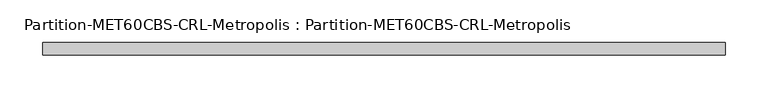
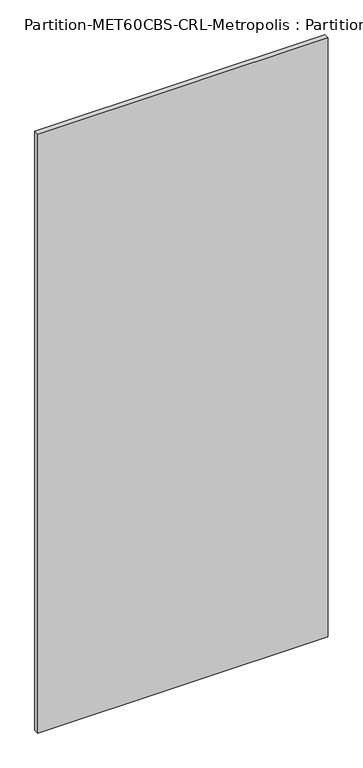
"""IFC4 building model written with IfcOpenShell, lengths in millimetres: plate geometry, Partition-MET60CBS-CRL-Metropolis : Partition-MET60CBS-CRL-Metropolis."""

import ifcopenshell
import ifcopenshell.guid

model = None  # the IFC model being written
_history = None  # IfcOwnerHistory: only IFC2X3 demands one
_inside = {}  # id of a spatial element -> (the spatial element, [elements in it])
_under = {}  # id of a project, library or spatial element -> (it, [spatial elements below it])
_declared = {}  # id of a project -> (the project, [libraries it declares])
_typed = {}  # id of a type object -> (the type object, [elements of that type])
_made_of = {}  # id of a material, layer set ... -> (it, [elements and type objects made of it])


def new_model(schema):
    """Start an empty IFC model of exactly this schema.

    Asked for "IFC4X3", IfcOpenShell would pick the latest addendum, in which some entities
    have other attributes; the version numbers below select the first issue.
    IFC2X3 requires an IfcOwnerHistory on every rooted entity: one is made here for all.
    """
    global model, _history
    if schema == "IFC4X3":
        model = ifcopenshell.file(schema_version=(4, 3, 0, 0))
    else:
        model = ifcopenshell.file(schema=schema)
    _inside.clear()
    _under.clear()
    _declared.clear()
    _typed.clear()
    _made_of.clear()
    _history = None
    if model.schema == "IFC2X3":
        org = make("IfcOrganization", Name="unknown")
        user = make(
            "IfcPersonAndOrganization",
            ThePerson=make("IfcPerson", FamilyName="unknown"),
            TheOrganization=org,
        )
        app = make(
            "IfcApplication",
            ApplicationDeveloper=org,
            Version="unknown",
            ApplicationFullName="unknown",
            ApplicationIdentifier="unknown",
        )
        _history = make(
            "IfcOwnerHistory",
            OwningUser=user,
            OwningApplication=app,
            ChangeAction="ADDED",
            CreationDate=0,
        )
    return model


def make(cls, **values):
    """One entity of the class cls with the attributes given. An attribute that is None is left unset."""
    return model.create_entity(
        cls, **{name: value for name, value in values.items() if value is not None}
    )


def rooted(cls, **values):
    """An entity with a GlobalId (a new one), such as an element, a storey or a relation."""
    return make(cls, GlobalId=ifcopenshell.guid.new(), OwnerHistory=_history, **values)


def si_unit(unit_type, name, prefix=None):
    """IfcSIUnit, for example si_unit("LENGTHUNIT", "METRE", prefix="MILLI")."""
    return make("IfcSIUnit", UnitType=unit_type, Prefix=prefix, Name=name)


def assignment(units):
    """IfcUnitAssignment: the units of a project."""
    return None if units is None else make("IfcUnitAssignment", Units=units)


def point(xyz):
    """IfcCartesianPoint."""
    return None if xyz is None else make("IfcCartesianPoint", Coordinates=xyz)


def direction(xyz):
    """IfcDirection."""
    return None if xyz is None else make("IfcDirection", DirectionRatios=xyz)


def frame(location, z_axis=None, x_axis=None):
    """IfcAxis2Placement3D, a coordinate frame: its origin and axes. An axis left out is left unset."""
    return make(
        "IfcAxis2Placement3D",
        Location=point(location),
        Axis=direction(z_axis),
        RefDirection=direction(x_axis),
    )


def origin():
    """The frame at (0, 0, 0) with its axes left unset."""
    return frame((0.0, 0.0, 0.0))


def place(relative_to, where):
    """IfcLocalPlacement: puts the frame where relative to a parent placement (None: the world)."""
    return make(
        "IfcLocalPlacement", PlacementRelTo=relative_to, RelativePlacement=where
    )


def context(
    kind, dimensions, precision=None, world=None, true_north=None, identifier=None
):
    """IfcGeometricRepresentationContext, for example the 3D "Model" context."""
    return make(
        "IfcGeometricRepresentationContext",
        ContextIdentifier=identifier,
        ContextType=kind,
        CoordinateSpaceDimension=dimensions,
        Precision=precision,
        WorldCoordinateSystem=world,
        TrueNorth=true_north,
    )


def project(units=None, contexts=None):
    """IfcProject with its units and contexts."""
    return rooted(
        "IfcProject",
        Name="project",
        RepresentationContexts=contexts,
        UnitsInContext=assignment(units),
    )


def spatial(cls, under=None, at=None, **own):
    """A site, building, storey or space (cls), placed at a placement, below another one or the project."""
    s = rooted(cls, ObjectPlacement=at, **own)
    if under is not None:
        _under.setdefault(under.id(), (under, []))[1].append(s)
    return s


def polyline(points):
    """IfcPolyline through the points."""
    return make("IfcPolyline", Points=[point(p) for p in points])


def outline(outer, holes=None, kind="AREA"):
    """IfcArbitraryClosedProfileDef: a profile drawn as a closed curve; with holes, ...WithVoids."""
    if holes is None:
        return make("IfcArbitraryClosedProfileDef", ProfileType=kind, OuterCurve=outer)
    return make(
        "IfcArbitraryProfileDefWithVoids",
        ProfileType=kind,
        OuterCurve=outer,
        InnerCurves=holes,
    )


def extrude(swept, where, along, depth):
    """IfcExtrudedAreaSolid: the profile swept, set in the frame where, extruded along a direction by depth."""
    return make(
        "IfcExtrudedAreaSolid",
        SweptArea=swept,
        Position=where,
        ExtrudedDirection=direction(along),
        Depth=depth,
    )


def shape(context_of_items, identifier, shape_type, items):
    """IfcShapeRepresentation: the items that make up one representation, for example the "Body"."""
    return make(
        "IfcShapeRepresentation",
        ContextOfItems=context_of_items,
        RepresentationIdentifier=identifier,
        RepresentationType=shape_type,
        Items=items,
    )


def source(mapping_origin, context_of_items, identifier, shape_type, items):
    """IfcRepresentationMap: a shape defined once, which mapped items show again and again."""
    return make(
        "IfcRepresentationMap",
        MappingOrigin=mapping_origin,
        MappedRepresentation=shape(context_of_items, identifier, shape_type, items),
    )


def transform(
    local_origin,
    x_axis=None,
    y_axis=None,
    z_axis=None,
    scale=None,
    scale2=None,
    scale3=None,
    uniform=True,
):
    """IfcCartesianTransformationOperator3D, or its non-uniform kind. x_axis, y_axis, z_axis: its Axis1, 2, 3."""
    if uniform:
        return make(
            "IfcCartesianTransformationOperator3D",
            Axis1=direction(x_axis),
            Axis2=direction(y_axis),
            LocalOrigin=point(local_origin),
            Scale=scale,
            Axis3=direction(z_axis),
        )
    return make(
        "IfcCartesianTransformationOperator3DnonUniform",
        Axis1=direction(x_axis),
        Axis2=direction(y_axis),
        LocalOrigin=point(local_origin),
        Scale=scale,
        Axis3=direction(z_axis),
        Scale2=scale2,
        Scale3=scale3,
    )


def mapped(mapping_source, mapping_target):
    """IfcMappedItem: shows the shape of a source again, moved by a transform."""
    return make(
        "IfcMappedItem", MappingSource=mapping_source, MappingTarget=mapping_target
    )


def made_of(thing, what):
    """Note that an element or type object is made of a material, layer set ...; save() writes the relation."""
    if what is not None:
        _made_of.setdefault(what.id(), (what, []))[1].append(thing)
    return thing


def element(
    cls,
    number,
    at=None,
    inside=None,
    cuts=None,
    type_object=None,
    material=None,
    context=None,
    identifier="Body",
    shape_type=None,
    held_by="IfcProductDefinitionShape",
    body=None,
    shapes=None,
    **own,
):
    """One element of the class cls, such as IfcWall. Its Tag is "e" and its number.

    at: its placement. inside: the storey or other place that contains it. cuts: it is an
    opening in that element (IfcRelVoidsElement). A single representation is given by context,
    identifier, shape_type and body (its items); several are given by shapes. held_by: the class
    of the entity that holds the representations. save() writes the other relations.
    """
    e = rooted(cls, Tag="e%d" % number, ObjectPlacement=at, **own)
    if body is not None:
        shapes = [shape(context, identifier, shape_type, body)]
    if shapes is not None:
        e.Representation = make(held_by, Representations=shapes)
    if inside is not None:
        _inside.setdefault(inside.id(), (inside, []))[1].append(e)
    if cuts is not None:
        rooted(
            "IfcRelVoidsElement", RelatingBuildingElement=cuts, RelatedOpeningElement=e
        )
    if type_object is not None:
        _typed.setdefault(type_object.id(), (type_object, []))[1].append(e)
    return made_of(e, material)


def aggregate(whole, parts):
    """IfcRelAggregates: a whole, such as a stair, and the parts it consists of."""
    return rooted("IfcRelAggregates", RelatingObject=whole, RelatedObjects=parts)


def save(model, path):
    """Write the relations noted so far, then the file.

    IfcRelAggregates (storeys below a building ...), IfcRelContainedInSpatialStructure (elements
    in a storey), IfcRelDefinesByType, IfcRelAssociatesMaterial and IfcRelDeclares: one each for
    every whole, place, type object, material and project.
    """
    for whole, parts in _under.values():
        aggregate(whole, parts)
    for where, things in _inside.values():
        rooted(
            "IfcRelContainedInSpatialStructure",
            RelatedElements=things,
            RelatingStructure=where,
        )
    for kind, things in _typed.values():
        rooted("IfcRelDefinesByType", RelatedObjects=things, RelatingType=kind)
    for what, things in _made_of.values():
        rooted("IfcRelAssociatesMaterial", RelatedObjects=things, RelatingMaterial=what)
    for by, libraries in _declared.values():
        rooted("IfcRelDeclares", RelatingContext=by, RelatedDefinitions=libraries)
    model.write(path)


def partition_met60cbs_crl_metropolis_partition_met60cbs_crl_294b9e5b(model_context):
    return source(origin(), model_context, "Body", "SweptSolid", [
        extrude(outline(polyline([(396.875, 98.425), (-396.875, 98.425), (-396.875, 112.7125), (396.875, 112.7125), (396.875, 98.425)])), frame((0.0, 0.0, 98.425), z_axis=(0.0, 0.0, 1.0), x_axis=(1.0, 0.0, 0.0)), (0.0, 0.0, 1.0), 1730.375),
    ])


if __name__ == "__main__":
    model = new_model("IFC4")
    model_context = context("Model", 3, world=origin())
    ifc_project = project(units=[si_unit("LENGTHUNIT", "METRE", prefix="MILLI")], contexts=[model_context])
    site = spatial("IfcSite", under=ifc_project)
    building = spatial("IfcBuilding", under=site)
    placement = place(None, origin())
    partition_met60cbs_crl_metropolis_partition_met60cbs_crl_shape = partition_met60cbs_crl_metropolis_partition_met60cbs_crl_294b9e5b(model_context)
    element("IfcPlate", 1, ObjectType="Partition-MET60CBS-CRL-Metropolis : Partition-MET60CBS-CRL-Metropolis", at=placement, inside=building, context=model_context, shape_type="MappedRepresentation", body=[
        mapped(partition_met60cbs_crl_metropolis_partition_met60cbs_crl_shape, transform((0.0, 0.0, 0.0), x_axis=(1.0, 0.0, 0.0), y_axis=(0.0, 1.0, 0.0), z_axis=(0.0, 0.0, 1.0))),
    ])
    save(model, "model.ifc")
